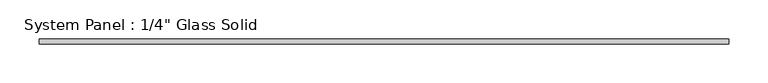
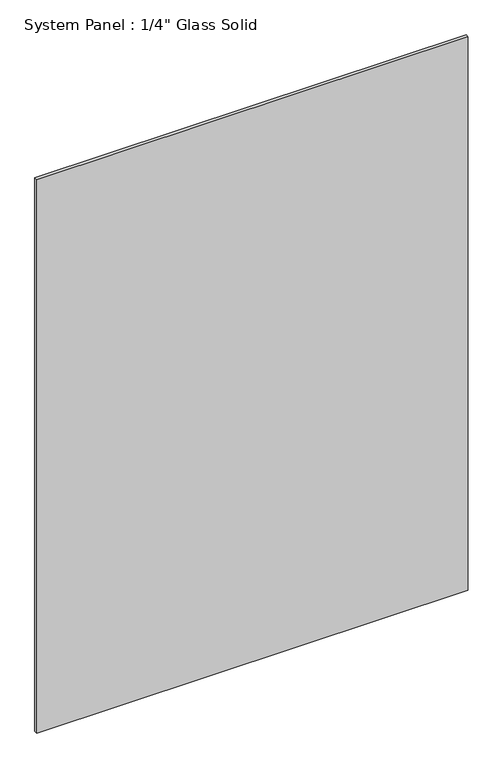
"""IFC4 building model written with IfcOpenShell, lengths in millimetres: plate geometry."""

from ifc_helpers import new_model, si_unit, origin, origin_with_axes, place, context, project, spatial, polyline, outline, extrude, source, transform, mapped, element, save


def plate_969f3500(model_context):
    return source(origin(), model_context, "Body", "SweptSolid", [
        extrude(outline(polyline([(440.3180865, -3.175), (-440.3180865, -3.175), (-440.3180865, 3.175), (440.3180865, 3.175), (440.3180865, -3.175)])), origin_with_axes(), (0.0, 0.0, 1.0), 1193.8017704),
    ])


if __name__ == "__main__":
    model = new_model("IFC4")
    model_context = context("Model", 3, world=origin())
    ifc_project = project(units=[si_unit("LENGTHUNIT", "METRE", prefix="MILLI")], contexts=[model_context])
    site = spatial("IfcSite", under=ifc_project)
    building = spatial("IfcBuilding", under=site)
    placement = place(None, origin())
    plate_shape = plate_969f3500(model_context)
    element("IfcPlate", 1, ObjectType="System Panel : 1/4\" Glass Solid", at=placement, inside=building, context=model_context, shape_type="MappedRepresentation", body=[
        mapped(plate_shape, transform((0.0, 0.0, 0.0), x_axis=(1.0, 0.0, 0.0), y_axis=(0.0, 1.0, 0.0), z_axis=(0.0, 0.0, 1.0))),
    ])
    save(model, "model.ifc")
